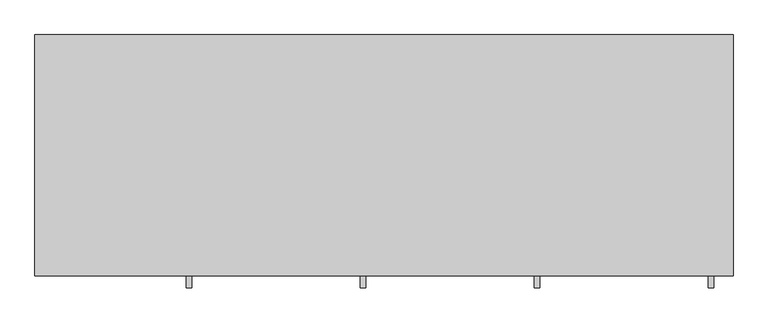
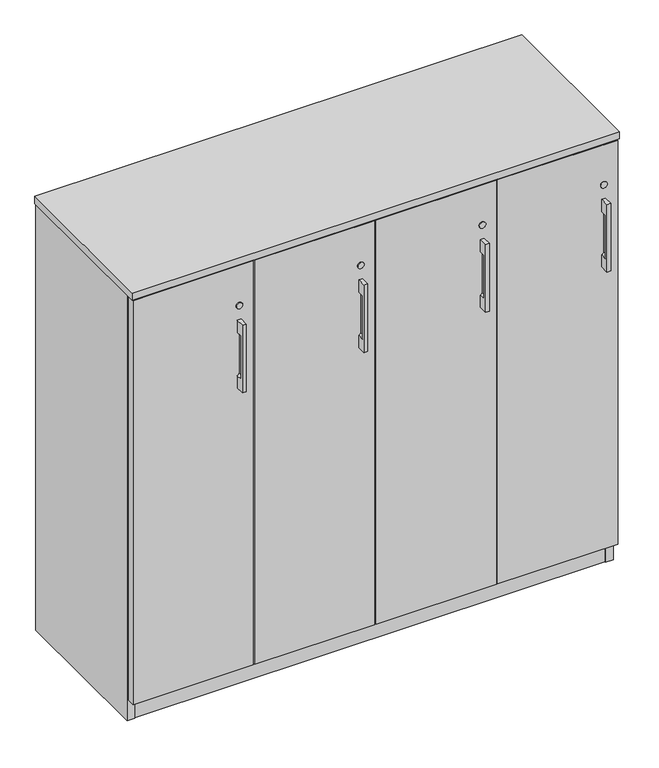
"""IFC4 building model written with IfcOpenShell, lengths in millimetres: furniture geometry."""

from ifc_helpers import new_model, si_unit, point, frame, frame_2d, origin, origin_with_axes, place, context, project, spatial, polyline, circle_curve, trimmed, segment, composite_curve, outline, extrude, source, transform, mapped, element, save
from ifc_brep_helpers import plane_surface, revolved_surface, advanced_brep


def furniture_f4dbbb70(model_context):
    return source(origin(), model_context, "Body", "SolidModel", [
        advanced_brep(
        [(262.7312421, -447.8115021, 980.4908), (262.7312421, -447.8115021, 802.6908), (272.2562421, -447.8115021, 802.6908), (272.2562421, -447.8115021, 980.4908), (262.7312421, -425.5865021, 980.4908), (272.2562421, -425.5865021, 980.4908), (272.2562421, -425.5865021, 802.6908), (262.7312421, -425.5865021, 802.6908), (262.7312421, -425.5865021, 834.6424389), (267.4937421, -425.5865021, 840.7908), (267.4937421, -425.5865021, 942.3908), (262.7312421, -425.5865021, 948.5391611), (262.7312421, -441.523499, 948.5391611), (262.7312421, -441.523499, 834.6424389), (267.4937421, -441.523499, 942.3908), (267.4937421, -441.523499, 840.7908)],
        [
            (0, 1),
            (1, 2),
            (2, 3),
            (3, 0),
            (4, 5),
            (5, 6),
            (6, 7),
            (7, 8),
            (8, 9, circle_curve(frame((261.1437421, -425.5865021, 840.7908), z_axis=(0.0, -1.0, 0.0), x_axis=(1.0, 0.0, 0.0)), 6.35)),
            (9, 10),
            (10, 11, circle_curve(frame((261.1437421, -425.5865021, 942.3908), z_axis=(0.0, -1.0, 0.0), x_axis=(1.0, 0.0, 0.0)), 6.35)),
            (11, 4),
            (0, 4),
            (11, 12),
            (12, 13),
            (13, 8),
            (7, 1),
            (6, 2),
            (5, 3),
            (14, 15),
            (15, 13, circle_curve(frame((261.1437421, -441.523499, 840.7908), z_axis=(0.0, 1.0, 0.0), x_axis=(1.0, 0.0, 0.0)), 6.35)),
            (12, 14, circle_curve(frame((261.1437421, -441.523499, 942.3908), z_axis=(0.0, 1.0, 0.0), x_axis=(1.0, 0.0, 0.0)), 6.35)),
            (14, 10),
            (9, 15),
        ],
        [
            plane_surface(frame((262.7312421, -447.8115021, 802.6908), z_axis=(0.0, -1.0, 0.0), x_axis=(0.0, 0.0, -1.0))),
            plane_surface(frame((262.7312421, -425.5865021, 802.6908), z_axis=(0.0, 1.0, 0.0), x_axis=(0.0, 0.0, 1.0))),
            plane_surface(frame((262.7312421, -447.8115021, 980.4908), z_axis=(-1.0, 0.0, 0.0), x_axis=(0.0, 1.0, 0.0))),
            plane_surface(frame((262.7312421, -447.8115021, 802.6908), z_axis=(0.0, 0.0, -1.0), x_axis=(0.0, 1.0, 0.0))),
            plane_surface(frame((272.2562421, -447.8115021, 802.6908), z_axis=(1.0, 0.0, 0.0), x_axis=(0.0, 1.0, 0.0))),
            plane_surface(frame((272.2562421, -447.8115021, 980.4908), z_axis=(0.0, 0.0, 1.0), x_axis=(0.0, 1.0, 0.0))),
            plane_surface(frame((248.4437421, -441.523499, 948.7408), z_axis=(0.0, 1.0, 0.0), x_axis=(-1.0, 0.0, 0.0))),
            plane_surface(frame((267.4937421, -441.523499, 840.7908), z_axis=(-1.0, 0.0, 0.0), x_axis=(0.0, 1.0, 0.0))),
            revolved_surface(polyline([(267.4937421, -441.523499, 840.7908), (267.4937421, -425.5865021, 840.7908)]), (261.1437421, -425.5865021, 840.7908), (0.0, -1.0, 0.0)),
            revolved_surface(polyline([(267.4937421, -441.523499, 942.3908), (267.4937421, -425.5865021, 942.3908)]), (261.1437421, -425.5865021, 942.3908), (0.0, -1.0, 0.0)),
        ],
        [
            (0, [[1, 2, 3, 4]]),
            (1, [[5, 6, 7, 8, 9, 10, 11, 12]]),
            (2, [[-1, 13, -12, 14, 15, 16, -8, 17]]),
            (3, [[-2, -17, -7, 18]]),
            (4, [[-3, -18, -6, 19]]),
            (5, [[-4, -19, -5, -13]]),
            (6, [[20, 21, -15, 22]]),
            (7, [[-20, 23, -10, 24]]),
            (8, [[-24, -9, -16, -21]]),
            (9, [[-23, -22, -14, -11]]),
        ],
    ),
        advanced_brep(
        [(1169.9875158, -447.8115021, 980.4908), (1169.9875158, -447.8115021, 802.6908), (1179.5125158, -447.8115021, 802.6908), (1179.5125158, -447.8115021, 980.4908), (1169.9875158, -425.5865021, 980.4908), (1179.5125158, -425.5865021, 980.4908), (1179.5125158, -425.5865021, 802.6908), (1169.9875158, -425.5865021, 802.6908), (1169.9875158, -425.5865021, 834.6424389), (1174.7500158, -425.5865021, 840.7908), (1174.7500158, -425.5865021, 942.3908), (1169.9875158, -425.5865021, 948.5391611), (1169.9875158, -441.523499, 948.5391611), (1169.9875158, -441.523499, 834.6424389), (1174.7500158, -441.523499, 942.3908), (1174.7500158, -441.523499, 840.7908)],
        [
            (0, 1),
            (1, 2),
            (2, 3),
            (3, 0),
            (4, 5),
            (5, 6),
            (6, 7),
            (7, 8),
            (8, 9, circle_curve(frame((1168.4000158, -425.5865021, 840.7908), z_axis=(0.0, -1.0, 0.0), x_axis=(1.0, 0.0, 0.0)), 6.35)),
            (9, 10),
            (10, 11, circle_curve(frame((1168.4000158, -425.5865021, 942.3908), z_axis=(0.0, -1.0, 0.0), x_axis=(1.0, 0.0, 0.0)), 6.35)),
            (11, 4),
            (0, 4),
            (11, 12),
            (12, 13),
            (13, 8),
            (7, 1),
            (6, 2),
            (5, 3),
            (14, 15),
            (15, 13, circle_curve(frame((1168.4000158, -441.523499, 840.7908), z_axis=(0.0, 1.0, 0.0), x_axis=(1.0, 0.0, 0.0)), 6.35)),
            (12, 14, circle_curve(frame((1168.4000158, -441.523499, 942.3908), z_axis=(0.0, 1.0, 0.0), x_axis=(1.0, 0.0, 0.0)), 6.35)),
            (14, 10),
            (9, 15),
        ],
        [
            plane_surface(frame((1169.9875158, -447.8115021, 802.6908), z_axis=(0.0, -1.0, 0.0), x_axis=(0.0, 0.0, -1.0))),
            plane_surface(frame((1169.9875158, -425.5865021, 802.6908), z_axis=(0.0, 1.0, 0.0), x_axis=(0.0, 0.0, 1.0))),
            plane_surface(frame((1169.9875158, -447.8115021, 980.4908), z_axis=(-1.0, 0.0, 0.0), x_axis=(0.0, 1.0, 0.0))),
            plane_surface(frame((1169.9875158, -447.8115021, 802.6908), z_axis=(0.0, 0.0, -1.0), x_axis=(0.0, 1.0, 0.0))),
            plane_surface(frame((1179.5125158, -447.8115021, 802.6908), z_axis=(1.0, 0.0, 0.0), x_axis=(0.0, 1.0, 0.0))),
            plane_surface(frame((1179.5125158, -447.8115021, 980.4908), z_axis=(0.0, 0.0, 1.0), x_axis=(0.0, 1.0, 0.0))),
            plane_surface(frame((1155.7000158, -441.523499, 948.7408), z_axis=(0.0, 1.0, 0.0), x_axis=(-1.0, 0.0, 0.0))),
            plane_surface(frame((1174.7500158, -441.523499, 840.7908), z_axis=(-1.0, 0.0, 0.0), x_axis=(0.0, 1.0, 0.0))),
            revolved_surface(polyline([(1174.7500157999998, -441.523499, 840.7908), (1174.7500157999998, -425.5865021, 840.7908)]), (1168.4000158, -425.5865021, 840.7908), (0.0, -1.0, 0.0)),
            revolved_surface(polyline([(1174.7500157999998, -441.523499, 942.3908), (1174.7500157999998, -425.5865021, 942.3908)]), (1168.4000158, -425.5865021, 942.3908), (0.0, -1.0, 0.0)),
        ],
        [
            (0, [[1, 2, 3, 4]]),
            (1, [[5, 6, 7, 8, 9, 10, 11, 12]]),
            (2, [[-1, 13, -12, 14, 15, 16, -8, 17]]),
            (3, [[-2, -17, -7, 18]]),
            (4, [[-3, -18, -6, 19]]),
            (5, [[-4, -19, -5, -13]]),
            (6, [[20, 21, -15, 22]]),
            (7, [[-20, 23, -10, 24]]),
            (8, [[-24, -9, -16, -21]]),
            (9, [[-23, -22, -14, -11]]),
        ],
    ),
        advanced_brep(
        [(867.5687579, -447.8115021, 980.4908), (867.5687579, -447.8115021, 802.6908), (877.0937579, -447.8115021, 802.6908), (877.0937579, -447.8115021, 980.4908), (867.5687579, -425.5865021, 980.4908), (877.0937579, -425.5865021, 980.4908), (877.0937579, -425.5865021, 802.6908), (867.5687579, -425.5865021, 802.6908), (867.5687579, -425.5865021, 834.6424389), (872.3312579, -425.5865021, 840.7908), (872.3312579, -425.5865021, 942.3908), (867.5687579, -425.5865021, 948.5391611), (867.5687579, -441.523499, 948.5391611), (867.5687579, -441.523499, 834.6424389), (872.3312579, -441.523499, 942.3908), (872.3312579, -441.523499, 840.7908)],
        [
            (0, 1),
            (1, 2),
            (2, 3),
            (3, 0),
            (4, 5),
            (5, 6),
            (6, 7),
            (7, 8),
            (8, 9, circle_curve(frame((865.9812579, -425.5865021, 840.7908), z_axis=(0.0, -1.0, 0.0), x_axis=(1.0, 0.0, 0.0)), 6.35)),
            (9, 10),
            (10, 11, circle_curve(frame((865.9812579, -425.5865021, 942.3908), z_axis=(0.0, -1.0, 0.0), x_axis=(1.0, 0.0, 0.0)), 6.35)),
            (11, 4),
            (0, 4),
            (11, 12),
            (12, 13),
            (13, 8),
            (7, 1),
            (6, 2),
            (5, 3),
            (14, 15),
            (15, 13, circle_curve(frame((865.9812579, -441.523499, 840.7908), z_axis=(0.0, 1.0, 0.0), x_axis=(1.0, 0.0, 0.0)), 6.35)),
            (12, 14, circle_curve(frame((865.9812579, -441.523499, 942.3908), z_axis=(0.0, 1.0, 0.0), x_axis=(1.0, 0.0, 0.0)), 6.35)),
            (14, 10),
            (9, 15),
        ],
        [
            plane_surface(frame((867.5687579, -447.8115021, 802.6908), z_axis=(0.0, -1.0, 0.0), x_axis=(0.0, 0.0, -1.0))),
            plane_surface(frame((867.5687579, -425.5865021, 802.6908), z_axis=(0.0, 1.0, 0.0), x_axis=(0.0, 0.0, 1.0))),
            plane_surface(frame((867.5687579, -447.8115021, 980.4908), z_axis=(-1.0, 0.0, 0.0), x_axis=(0.0, 1.0, 0.0))),
            plane_surface(frame((867.5687579, -447.8115021, 802.6908), z_axis=(0.0, 0.0, -1.0), x_axis=(0.0, 1.0, 0.0))),
            plane_surface(frame((877.0937579, -447.8115021, 802.6908), z_axis=(1.0, 0.0, 0.0), x_axis=(0.0, 1.0, 0.0))),
            plane_surface(frame((877.0937579, -447.8115021, 980.4908), z_axis=(0.0, 0.0, 1.0), x_axis=(0.0, 1.0, 0.0))),
            plane_surface(frame((853.2812579, -441.523499, 948.7408), z_axis=(0.0, 1.0, 0.0), x_axis=(-1.0, 0.0, 0.0))),
            plane_surface(frame((872.3312579, -441.523499, 840.7908), z_axis=(-1.0, 0.0, 0.0), x_axis=(0.0, 1.0, 0.0))),
            revolved_surface(polyline([(872.3312579, -441.523499, 840.7908), (872.3312579, -425.5865021, 840.7908)]), (865.9812579, -425.5865021, 840.7908), (0.0, -1.0, 0.0)),
            revolved_surface(polyline([(872.3312579, -441.523499, 942.3908), (872.3312579, -425.5865021, 942.3908)]), (865.9812579, -425.5865021, 942.3908), (0.0, -1.0, 0.0)),
        ],
        [
            (0, [[1, 2, 3, 4]]),
            (1, [[5, 6, 7, 8, 9, 10, 11, 12]]),
            (2, [[-1, 13, -12, 14, 15, 16, -8, 17]]),
            (3, [[-2, -17, -7, 18]]),
            (4, [[-3, -18, -6, 19]]),
            (5, [[-4, -19, -5, -13]]),
            (6, [[20, 21, -15, 22]]),
            (7, [[-20, 23, -10, 24]]),
            (8, [[-24, -9, -16, -21]]),
            (9, [[-23, -22, -14, -11]]),
        ],
    ),
        advanced_brep(
        [(565.15, -447.8115021, 980.4908), (565.15, -447.8115021, 802.6908), (574.675, -447.8115021, 802.6908), (574.675, -447.8115021, 980.4908), (565.15, -425.5865021, 980.4908), (574.675, -425.5865021, 980.4908), (574.675, -425.5865021, 802.6908), (565.15, -425.5865021, 802.6908), (565.15, -425.5865021, 834.6424389), (569.9125, -425.5865021, 840.7908), (569.9125, -425.5865021, 942.3908), (565.15, -425.5865021, 948.5391611), (565.15, -441.523499, 948.5391611), (565.15, -441.523499, 834.6424389), (569.9125, -441.523499, 942.3908), (569.9125, -441.523499, 840.7908)],
        [
            (0, 1),
            (1, 2),
            (2, 3),
            (3, 0),
            (4, 5),
            (5, 6),
            (6, 7),
            (7, 8),
            (8, 9, circle_curve(frame((563.5625, -425.5865021, 840.7908), z_axis=(0.0, -1.0, 0.0), x_axis=(1.0, 0.0, 0.0)), 6.35)),
            (9, 10),
            (10, 11, circle_curve(frame((563.5625, -425.5865021, 942.3908), z_axis=(0.0, -1.0, 0.0), x_axis=(1.0, 0.0, 0.0)), 6.35)),
            (11, 4),
            (0, 4),
            (11, 12),
            (12, 13),
            (13, 8),
            (7, 1),
            (6, 2),
            (5, 3),
            (14, 15),
            (15, 13, circle_curve(frame((563.5625, -441.523499, 840.7908), z_axis=(0.0, 1.0, 0.0), x_axis=(1.0, 0.0, 0.0)), 6.35)),
            (12, 14, circle_curve(frame((563.5625, -441.523499, 942.3908), z_axis=(0.0, 1.0, 0.0), x_axis=(1.0, 0.0, 0.0)), 6.35)),
            (14, 10),
            (9, 15),
        ],
        [
            plane_surface(frame((565.15, -447.8115021, 802.6908), z_axis=(0.0, -1.0, 0.0), x_axis=(0.0, 0.0, -1.0))),
            plane_surface(frame((565.15, -425.5865021, 802.6908), z_axis=(0.0, 1.0, 0.0), x_axis=(0.0, 0.0, 1.0))),
            plane_surface(frame((565.15, -447.8115021, 980.4908), z_axis=(-1.0, 0.0, 0.0), x_axis=(0.0, 1.0, 0.0))),
            plane_surface(frame((565.15, -447.8115021, 802.6908), z_axis=(0.0, 0.0, -1.0), x_axis=(0.0, 1.0, 0.0))),
            plane_surface(frame((574.675, -447.8115021, 802.6908), z_axis=(1.0, 0.0, 0.0), x_axis=(0.0, 1.0, 0.0))),
            plane_surface(frame((574.675, -447.8115021, 980.4908), z_axis=(0.0, 0.0, 1.0), x_axis=(0.0, 1.0, 0.0))),
            plane_surface(frame((550.8625, -441.523499, 948.7408), z_axis=(0.0, 1.0, 0.0), x_axis=(-1.0, 0.0, 0.0))),
            plane_surface(frame((569.9125, -441.523499, 840.7908), z_axis=(-1.0, 0.0, 0.0), x_axis=(0.0, 1.0, 0.0))),
            revolved_surface(polyline([(569.9125, -441.523499, 840.7908), (569.9125, -425.5865021, 840.7908)]), (563.5625, -425.5865021, 840.7908), (0.0, -1.0, 0.0)),
            revolved_surface(polyline([(569.9125, -441.523499, 942.3908), (569.9125, -425.5865021, 942.3908)]), (563.5625, -425.5865021, 942.3908), (0.0, -1.0, 0.0)),
        ],
        [
            (0, [[1, 2, 3, 4]]),
            (1, [[5, 6, 7, 8, 9, 10, 11, 12]]),
            (2, [[-1, 13, -12, 14, 15, 16, -8, 17]]),
            (3, [[-2, -17, -7, 18]]),
            (4, [[-3, -18, -6, 19]]),
            (5, [[-4, -19, -5, -13]]),
            (6, [[20, 21, -15, 22]]),
            (7, [[-20, 23, -10, 24]]),
            (8, [[-24, -9, -16, -21]]),
            (9, [[-23, -22, -14, -11]]),
        ],
    ),
        extrude(outline(polyline([(1150.5192181, -345.6312472), (1166.4670759, -336.4237472), (1182.4149337, -345.6312472), (1182.4149337, -364.0462472), (1166.4670759, -373.2537472), (1150.5192181, -364.0462472), (1150.5192181, -345.6312472)])), origin_with_axes(), (0.0, 0.0, 1.0), 9.144),
        extrude(outline(polyline([(1150.5192181, -47.1181713), (1166.4670759, -37.9106713), (1182.4149337, -47.1181713), (1182.4149337, -65.5331713), (1166.4670759, -74.7406713), (1150.5192181, -65.5331713), (1150.5192181, -47.1181713)])), origin_with_axes(), (0.0, 0.0, 1.0), 9.144),
        extrude(outline(polyline([(30.4350663, -345.6312472), (46.3829241, -336.4237472), (62.3307819, -345.6312472), (62.3307819, -364.0462472), (46.3829241, -373.2537472), (30.4350663, -364.0462472), (30.4350663, -345.6312472)])), origin_with_axes(), (0.0, 0.0, 1.0), 9.144),
        extrude(outline(polyline([(30.4350663, -47.1181713), (46.3829241, -37.9106713), (62.3307819, -47.1181713), (62.3307819, -65.5331713), (46.3829241, -74.7406713), (30.4350663, -65.5331713), (30.4350663, -47.1181713)])), origin_with_axes(), (0.0, 0.0, 1.0), 9.144),
        extrude(outline(polyline([(587.1210079, -30.4938704), (606.4250079, -30.4938704), (606.4250079, -401.5835036), (587.1210079, -401.5835036), (587.1210079, -30.4938704)])), frame((0.0, 0.0, 79.57058), z_axis=(0.0, 0.0, 1.0), x_axis=(1.0, 0.0, 0.0)), (0.0, 0.0, 1.0), 1046.20822),
        extrude(outline(polyline([(889.5397579, -30.4938704), (908.8437579, -30.4938704), (908.8437579, -401.5835036), (889.5397579, -401.5835036), (889.5397579, -30.4938704)])), frame((0.0, 0.0, 79.57058), z_axis=(0.0, 0.0, 1.0), x_axis=(1.0, 0.0, 0.0)), (0.0, 0.0, 1.0), 1046.20822),
        extrude(outline(polyline([(304.0062421, -30.4938704), (304.0062421, -401.5835036), (284.7022421, -401.5835036), (284.7022421, -30.4938704), (304.0062421, -30.4938704)])), frame((0.0, 0.0, 79.57058), z_axis=(0.0, 0.0, 1.0), x_axis=(1.0, 0.0, 0.0)), (0.0, 0.0, 1.0), 1046.20822),
        extrude(outline(polyline([(1191.9585154, -11.1898712), (1191.9585154, -30.4938704), (20.8915005, -30.4938704), (20.8915005, -11.1898712), (1191.9585154, -11.1898712)])), frame((0.0, 0.0, 4.699), z_axis=(0.0, 0.0, 1.0), x_axis=(1.0, 0.0, 0.0)), (0.0, 0.0, 1.0), 1121.0798),
        extrude(outline(polyline([(20.8915005, -9.6658713), (20.8915005, -403.1075021), (1.5874842, -403.1075021), (1.5874842, -9.6658713), (20.8915005, -9.6658713)])), frame((0.0, 0.0, 4.699), z_axis=(0.0, 0.0, 1.0), x_axis=(1.0, 0.0, 0.0)), (0.0, 0.0, 1.0), 1121.0798),
        extrude(outline(polyline([(1191.9585154, -9.6658713), (1211.2625158, -9.6658713), (1211.2625158, -403.1075021), (1191.9585154, -403.1075021), (1191.9585154, -9.6658713)])), frame((0.0, 0.0, 4.699), z_axis=(0.0, 0.0, 1.0), x_axis=(1.0, 0.0, 0.0)), (0.0, 0.0, 1.0), 1121.0798),
        extrude(outline(polyline([(625.7290079, -30.4938704), (625.7290079, -401.5835036), (606.4250079, -401.5835036), (606.4250079, -30.4938704), (625.7290079, -30.4938704)])), frame((0.0, 0.0, 79.57058), z_axis=(0.0, 0.0, 1.0), x_axis=(1.0, 0.0, 0.0)), (0.0, 0.0, 1.0), 1046.20822),
        extrude(outline(polyline([(304.0062421, -30.4938704), (323.3102421, -30.4938704), (323.3102421, -401.5835036), (304.0062421, -401.5835036), (304.0062421, -30.4938704)])), frame((0.0, 0.0, 79.57058), z_axis=(0.0, 0.0, 1.0), x_axis=(1.0, 0.0, 0.0)), (0.0, 0.0, 1.0), 1046.20822),
        extrude(outline(polyline([(928.1477579, -30.4938704), (928.1477579, -401.5835036), (908.8437579, -401.5835036), (908.8437579, -30.4938704), (928.1477579, -30.4938704)])), frame((0.0, 0.0, 79.57058), z_axis=(0.0, 0.0, 1.0), x_axis=(1.0, 0.0, 0.0)), (0.0, 0.0, 1.0), 1046.20822),
        extrude(outline(polyline([(1191.9585154, -30.4938704), (1191.9585154, -402.7264934), (20.8915005, -402.7264934), (20.8915005, -30.4938704), (1191.9585154, -30.4938704)])), frame((0.0, 0.0, 1106.4748), z_axis=(0.0, 0.0, 1.0), x_axis=(1.0, 0.0, 0.0)), (0.0, 0.0, 1.0), 19.304),
        extrude(outline(polyline([(1212.85, -8.0783713), (1212.85, -427.1783713), (0.0, -427.1783713), (0.0, -8.0783713), (1212.85, -8.0783713)])), frame((0.0, 0.0, 1125.7788031), z_axis=(0.0, 0.0, 1.0), x_axis=(1.0, 0.0, 0.0)), (0.0, 0.0, 1.0), 19.0499969),
        extrude(outline(polyline([(1191.9585154, -30.4938704), (1191.9585154, -402.7264934), (20.8915005, -402.7264934), (20.8915005, -30.4938704), (1191.9585154, -30.4938704)])), frame((0.0, 0.0, 60.26658), z_axis=(0.0, 0.0, 1.0), x_axis=(1.0, 0.0, 0.0)), (0.0, 0.0, 1.0), 19.304),
        extrude(outline(polyline([(1191.9585154, -401.5835036), (20.8915005, -401.5835036), (20.8915005, -382.2795036), (1191.9585154, -382.2795036), (1191.9585154, -401.5835036)])), frame((0.0, 0.0, 4.699), z_axis=(0.0, 0.0, 1.0), x_axis=(1.0, 0.0, 0.0)), (0.0, 0.0, 1.0), 55.56758),
        extrude(outline(composite_curve([segment(trimmed(circle_curve(frame_2d((1017.8288, 267.4937421)), 8.001), [point((1017.8288, 259.4927421))], [point((1017.8288, 275.4947421))], False, "CARTESIAN"), True, "CONTINUOUS"), segment(trimmed(circle_curve(frame_2d((1017.8288, 267.4937421)), 8.001), [point((1017.8288, 275.4947421))], [point((1017.8288, 259.4927421))], False, "CARTESIAN"), True, "CONTINUOUS")], self_intersect=False)), frame((0.0, -427.1783713, 0.0), z_axis=(0.0, 1.0, 0.0), x_axis=(0.0, 0.0, 1.0)), (0.0, 0.0, 1.0), 1.5918692),
        extrude(outline(composite_curve([segment(trimmed(circle_curve(frame_2d((1017.8288, 569.9125)), 8.001), [point((1017.8288, 561.9115))], [point((1017.8288, 577.9135))], False, "CARTESIAN"), True, "CONTINUOUS"), segment(trimmed(circle_curve(frame_2d((1017.8288, 569.9125)), 8.001), [point((1017.8288, 577.9135))], [point((1017.8288, 561.9115))], False, "CARTESIAN"), True, "CONTINUOUS")], self_intersect=False)), frame((0.0, -427.1783713, 0.0), z_axis=(0.0, 1.0, 0.0), x_axis=(0.0, 0.0, 1.0)), (0.0, 0.0, 1.0), 1.5918692),
        extrude(outline(composite_curve([segment(trimmed(circle_curve(frame_2d((1017.8288, 872.3312579)), 8.001), [point((1017.8288, 864.3302579))], [point((1017.8288, 880.3322579))], False, "CARTESIAN"), True, "CONTINUOUS"), segment(trimmed(circle_curve(frame_2d((1017.8288, 872.3312579)), 8.001), [point((1017.8288, 880.3322579))], [point((1017.8288, 864.3302579))], False, "CARTESIAN"), True, "CONTINUOUS")], self_intersect=False)), frame((0.0, -427.1783713, 0.0), z_axis=(0.0, 1.0, 0.0), x_axis=(0.0, 0.0, 1.0)), (0.0, 0.0, 1.0), 1.5918692),
        extrude(outline(composite_curve([segment(trimmed(circle_curve(frame_2d((1017.8288, 1174.7500158)), 8.001), [point((1017.8288, 1166.7490158))], [point((1017.8288, 1182.7510158))], False, "CARTESIAN"), True, "CONTINUOUS"), segment(trimmed(circle_curve(frame_2d((1017.8288, 1174.7500158)), 8.001), [point((1017.8288, 1182.7510158))], [point((1017.8288, 1166.7490158))], False, "CARTESIAN"), True, "CONTINUOUS")], self_intersect=False)), frame((0.0, -427.1783713, 0.0), z_axis=(0.0, 1.0, 0.0), x_axis=(0.0, 0.0, 1.0)), (0.0, 0.0, 1.0), 1.5918692),
        extrude(outline(polyline([(302.4187421, -425.5865021), (3.175, -425.5865021), (3.175, -406.2825021), (302.4187421, -406.2825021), (302.4187421, -425.5865021)])), frame((0.0, 0.0, 60.26658), z_axis=(0.0, 0.0, 1.0), x_axis=(1.0, 0.0, 0.0)), (0.0, 0.0, 1.0), 1062.3372352),
        extrude(outline(polyline([(604.8375, -425.5865021), (305.5937421, -425.5865021), (305.5937421, -406.2825021), (604.8375, -406.2825021), (604.8375, -425.5865021)])), frame((0.0, 0.0, 60.26658), z_axis=(0.0, 0.0, 1.0), x_axis=(1.0, 0.0, 0.0)), (0.0, 0.0, 1.0), 1062.3372352),
        extrude(outline(polyline([(907.2562579, -425.5865021), (608.0125, -425.5865021), (608.0125, -406.2825021), (907.2562579, -406.2825021), (907.2562579, -425.5865021)])), frame((0.0, 0.0, 60.26658), z_axis=(0.0, 0.0, 1.0), x_axis=(1.0, 0.0, 0.0)), (0.0, 0.0, 1.0), 1062.3372352),
        extrude(outline(polyline([(1209.6750158, -425.5865021), (910.4312579, -425.5865021), (910.4312579, -406.2825021), (1209.6750158, -406.2825021), (1209.6750158, -425.5865021)])), frame((0.0, 0.0, 60.26658), z_axis=(0.0, 0.0, 1.0), x_axis=(1.0, 0.0, 0.0)), (0.0, 0.0, 1.0), 1062.3372352),
    ])


if __name__ == "__main__":
    model = new_model("IFC4")
    model_context = context("Model", 3, world=origin())
    ifc_project = project(units=[si_unit("LENGTHUNIT", "METRE", prefix="MILLI")], contexts=[model_context])
    site = spatial("IfcSite", under=ifc_project)
    building = spatial("IfcBuilding", under=site)
    placement = place(None, origin())
    furniture_shape = furniture_f4dbbb70(model_context)
    element("IfcFurniture", 1, at=placement, inside=building, context=model_context, shape_type="MappedRepresentation", body=[
        mapped(furniture_shape, transform((0.0, 0.0, 0.0), x_axis=(1.0, 0.0, 0.0), y_axis=(0.0, 1.0, 0.0), z_axis=(0.0, 0.0, 1.0))),
    ])
    save(model, "model.ifc")
